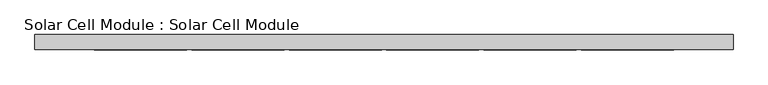
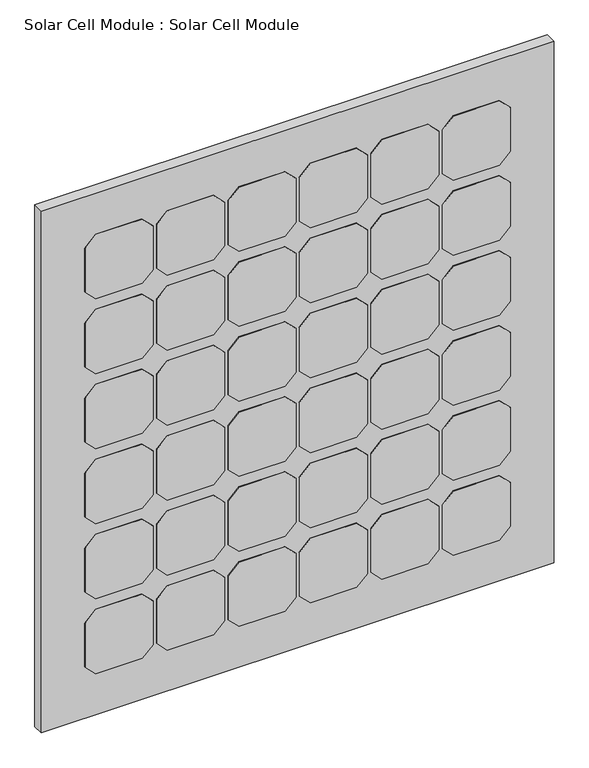
"""IFC4 building model written with IfcOpenShell, lengths in millimetres: plate geometry, Solar Cell Module : Solar Cell Module."""

from ifc_helpers import new_model, si_unit, frame, origin, origin_with_axes, place, context, project, spatial, polyline, outline, extrude, source, transform, mapped, element, save


def solar_cell_module_solar_cell_module_6ad14969(model_context):
    return source(origin(), model_context, "Body", "SweptSolid", [
        extrude(outline(polyline([(827.4741748, 299.1427161), (852.4741748, 324.1427161), (958.4741748, 324.1427161), (983.4741748, 299.1427161), (983.4741748, 193.1427161), (958.4741748, 168.1427161), (852.4741748, 168.1427161), (827.4741748, 193.1427161), (827.4741748, 299.1427161)])), frame((0.0, -26.0, 0.0), z_axis=(0.0, 1.0, 0.0), x_axis=(0.0, 0.0, 1.0)), (0.0, 0.0, 1.0), 1.0),
        extrude(outline(polyline([(645.6056311, 299.1427161), (670.6056311, 324.1427161), (776.6056311, 324.1427161), (801.6056311, 299.1427161), (801.6056311, 193.1427161), (776.6056311, 168.1427161), (670.6056311, 168.1427161), (645.6056311, 193.1427161), (645.6056311, 299.1427161)])), frame((0.0, -26.0, 0.0), z_axis=(0.0, 1.0, 0.0), x_axis=(0.0, 0.0, 1.0)), (0.0, 0.0, 1.0), 1.0),
        extrude(outline(polyline([(463.7370874, 299.1427161), (488.7370874, 324.1427161), (594.7370874, 324.1427161), (619.7370874, 299.1427161), (619.7370874, 193.1427161), (594.7370874, 168.1427161), (488.7370874, 168.1427161), (463.7370874, 193.1427161), (463.7370874, 299.1427161)])), frame((0.0, -26.0, 0.0), z_axis=(0.0, 1.0, 0.0), x_axis=(0.0, 0.0, 1.0)), (0.0, 0.0, 1.0), 1.0),
        extrude(outline(polyline([(281.8685437, 299.1427161), (306.8685437, 324.1427161), (412.8685437, 324.1427161), (437.8685437, 299.1427161), (437.8685437, 193.1427161), (412.8685437, 168.1427161), (306.8685437, 168.1427161), (281.8685437, 193.1427161), (281.8685437, 299.1427161)])), frame((0.0, -26.0, 0.0), z_axis=(0.0, 1.0, 0.0), x_axis=(0.0, 0.0, 1.0)), (0.0, 0.0, 1.0), 1.0),
        extrude(outline(polyline([(1009.3427185, 299.1427161), (1034.3427185, 324.1427161), (1140.3427185, 324.1427161), (1165.3427185, 299.1427161), (1165.3427185, 193.1427161), (1140.3427185, 168.1427161), (1034.3427185, 168.1427161), (1009.3427185, 193.1427161), (1009.3427185, 299.1427161)])), frame((0.0, -26.0, 0.0), z_axis=(0.0, 1.0, 0.0), x_axis=(0.0, 0.0, 1.0)), (0.0, 0.0, 1.0), 1.0),
        extrude(outline(polyline([(100.0, 299.1427161), (125.0, 324.1427161), (231.0, 324.1427161), (256.0, 299.1427161), (256.0, 193.1427161), (231.0, 168.1427161), (125.0, 168.1427161), (100.0, 193.1427161), (100.0, 299.1427161)])), frame((0.0, -26.0, 0.0), z_axis=(0.0, 1.0, 0.0), x_axis=(0.0, 0.0, 1.0)), (0.0, 0.0, 1.0), 1.0),
        extrude(outline(polyline([(827.4741748, 135.047572), (852.4741748, 160.047572), (958.4741748, 160.047572), (983.4741748, 135.047572), (983.4741748, 29.047572), (958.4741748, 4.047572), (852.4741748, 4.047572), (827.4741748, 29.047572), (827.4741748, 135.047572)])), frame((0.0, -26.0, 0.0), z_axis=(0.0, 1.0, 0.0), x_axis=(0.0, 0.0, 1.0)), (0.0, 0.0, 1.0), 1.0),
        extrude(outline(polyline([(645.6056311, 135.047572), (670.6056311, 160.047572), (776.6056311, 160.047572), (801.6056311, 135.047572), (801.6056311, 29.047572), (776.6056311, 4.047572), (670.6056311, 4.047572), (645.6056311, 29.047572), (645.6056311, 135.047572)])), frame((0.0, -26.0, 0.0), z_axis=(0.0, 1.0, 0.0), x_axis=(0.0, 0.0, 1.0)), (0.0, 0.0, 1.0), 1.0),
        extrude(outline(polyline([(463.7370874, 135.047572), (488.7370874, 160.047572), (594.7370874, 160.047572), (619.7370874, 135.047572), (619.7370874, 29.047572), (594.7370874, 4.047572), (488.7370874, 4.047572), (463.7370874, 29.047572), (463.7370874, 135.047572)])), frame((0.0, -26.0, 0.0), z_axis=(0.0, 1.0, 0.0), x_axis=(0.0, 0.0, 1.0)), (0.0, 0.0, 1.0), 1.0),
        extrude(outline(polyline([(281.8685437, 135.047572), (306.8685437, 160.047572), (412.8685437, 160.047572), (437.8685437, 135.047572), (437.8685437, 29.047572), (412.8685437, 4.047572), (306.8685437, 4.047572), (281.8685437, 29.047572), (281.8685437, 135.047572)])), frame((0.0, -26.0, 0.0), z_axis=(0.0, 1.0, 0.0), x_axis=(0.0, 0.0, 1.0)), (0.0, 0.0, 1.0), 1.0),
        extrude(outline(polyline([(1009.3427185, 135.047572), (1034.3427185, 160.047572), (1140.3427185, 160.047572), (1165.3427185, 135.047572), (1165.3427185, 29.047572), (1140.3427185, 4.047572), (1034.3427185, 4.047572), (1009.3427185, 29.047572), (1009.3427185, 135.047572)])), frame((0.0, -26.0, 0.0), z_axis=(0.0, 1.0, 0.0), x_axis=(0.0, 0.0, 1.0)), (0.0, 0.0, 1.0), 1.0),
        extrude(outline(polyline([(100.0, 135.047572), (125.0, 160.047572), (231.0, 160.047572), (256.0, 135.047572), (256.0, 29.047572), (231.0, 4.047572), (125.0, 4.047572), (100.0, 29.047572), (100.0, 135.047572)])), frame((0.0, -26.0, 0.0), z_axis=(0.0, 1.0, 0.0), x_axis=(0.0, 0.0, 1.0)), (0.0, 0.0, 1.0), 1.0),
        extrude(outline(polyline([(827.4741748, -29.047572), (852.4741748, -4.047572), (958.4741748, -4.047572), (983.4741748, -29.047572), (983.4741748, -135.047572), (958.4741748, -160.047572), (852.4741748, -160.047572), (827.4741748, -135.047572), (827.4741748, -29.047572)])), frame((0.0, -26.0, 0.0), z_axis=(0.0, 1.0, 0.0), x_axis=(0.0, 0.0, 1.0)), (0.0, 0.0, 1.0), 1.0),
        extrude(outline(polyline([(645.6056311, -29.047572), (670.6056311, -4.047572), (776.6056311, -4.047572), (801.6056311, -29.047572), (801.6056311, -135.047572), (776.6056311, -160.047572), (670.6056311, -160.047572), (645.6056311, -135.047572), (645.6056311, -29.047572)])), frame((0.0, -26.0, 0.0), z_axis=(0.0, 1.0, 0.0), x_axis=(0.0, 0.0, 1.0)), (0.0, 0.0, 1.0), 1.0),
        extrude(outline(polyline([(463.7370874, -29.047572), (488.7370874, -4.047572), (594.7370874, -4.047572), (619.7370874, -29.047572), (619.7370874, -135.047572), (594.7370874, -160.047572), (488.7370874, -160.047572), (463.7370874, -135.047572), (463.7370874, -29.047572)])), frame((0.0, -26.0, 0.0), z_axis=(0.0, 1.0, 0.0), x_axis=(0.0, 0.0, 1.0)), (0.0, 0.0, 1.0), 1.0),
        extrude(outline(polyline([(281.8685437, -29.047572), (306.8685437, -4.047572), (412.8685437, -4.047572), (437.8685437, -29.047572), (437.8685437, -135.047572), (412.8685437, -160.047572), (306.8685437, -160.047572), (281.8685437, -135.047572), (281.8685437, -29.047572)])), frame((0.0, -26.0, 0.0), z_axis=(0.0, 1.0, 0.0), x_axis=(0.0, 0.0, 1.0)), (0.0, 0.0, 1.0), 1.0),
        extrude(outline(polyline([(1009.3427185, -29.047572), (1034.3427185, -4.047572), (1140.3427185, -4.047572), (1165.3427185, -29.047572), (1165.3427185, -135.047572), (1140.3427185, -160.047572), (1034.3427185, -160.047572), (1009.3427185, -135.047572), (1009.3427185, -29.047572)])), frame((0.0, -26.0, 0.0), z_axis=(0.0, 1.0, 0.0), x_axis=(0.0, 0.0, 1.0)), (0.0, 0.0, 1.0), 1.0),
        extrude(outline(polyline([(100.0, -29.047572), (125.0, -4.047572), (231.0, -4.047572), (256.0, -29.047572), (256.0, -135.047572), (231.0, -160.047572), (125.0, -160.047572), (100.0, -135.047572), (100.0, -29.047572)])), frame((0.0, -26.0, 0.0), z_axis=(0.0, 1.0, 0.0), x_axis=(0.0, 0.0, 1.0)), (0.0, 0.0, 1.0), 1.0),
        extrude(outline(polyline([(827.4741748, -193.1427161), (852.4741748, -168.1427161), (958.4741748, -168.1427161), (983.4741748, -193.1427161), (983.4741748, -299.1427161), (958.4741748, -324.1427161), (852.4741748, -324.1427161), (827.4741748, -299.1427161), (827.4741748, -193.1427161)])), frame((0.0, -26.0, 0.0), z_axis=(0.0, 1.0, 0.0), x_axis=(0.0, 0.0, 1.0)), (0.0, 0.0, 1.0), 1.0),
        extrude(outline(polyline([(645.6056311, -193.1427161), (670.6056311, -168.1427161), (776.6056311, -168.1427161), (801.6056311, -193.1427161), (801.6056311, -299.1427161), (776.6056311, -324.1427161), (670.6056311, -324.1427161), (645.6056311, -299.1427161), (645.6056311, -193.1427161)])), frame((0.0, -26.0, 0.0), z_axis=(0.0, 1.0, 0.0), x_axis=(0.0, 0.0, 1.0)), (0.0, 0.0, 1.0), 1.0),
        extrude(outline(polyline([(463.7370874, -193.1427161), (488.7370874, -168.1427161), (594.7370874, -168.1427161), (619.7370874, -193.1427161), (619.7370874, -299.1427161), (594.7370874, -324.1427161), (488.7370874, -324.1427161), (463.7370874, -299.1427161), (463.7370874, -193.1427161)])), frame((0.0, -26.0, 0.0), z_axis=(0.0, 1.0, 0.0), x_axis=(0.0, 0.0, 1.0)), (0.0, 0.0, 1.0), 1.0),
        extrude(outline(polyline([(281.8685437, -193.1427161), (306.8685437, -168.1427161), (412.8685437, -168.1427161), (437.8685437, -193.1427161), (437.8685437, -299.1427161), (412.8685437, -324.1427161), (306.8685437, -324.1427161), (281.8685437, -299.1427161), (281.8685437, -193.1427161)])), frame((0.0, -26.0, 0.0), z_axis=(0.0, 1.0, 0.0), x_axis=(0.0, 0.0, 1.0)), (0.0, 0.0, 1.0), 1.0),
        extrude(outline(polyline([(1009.3427185, -193.1427161), (1034.3427185, -168.1427161), (1140.3427185, -168.1427161), (1165.3427185, -193.1427161), (1165.3427185, -299.1427161), (1140.3427185, -324.1427161), (1034.3427185, -324.1427161), (1009.3427185, -299.1427161), (1009.3427185, -193.1427161)])), frame((0.0, -26.0, 0.0), z_axis=(0.0, 1.0, 0.0), x_axis=(0.0, 0.0, 1.0)), (0.0, 0.0, 1.0), 1.0),
        extrude(outline(polyline([(100.0, -193.1427161), (125.0, -168.1427161), (231.0, -168.1427161), (256.0, -193.1427161), (256.0, -299.1427161), (231.0, -324.1427161), (125.0, -324.1427161), (100.0, -299.1427161), (100.0, -193.1427161)])), frame((0.0, -26.0, 0.0), z_axis=(0.0, 1.0, 0.0), x_axis=(0.0, 0.0, 1.0)), (0.0, 0.0, 1.0), 1.0),
        extrude(outline(polyline([(827.4741748, 463.2378602), (852.4741748, 488.2378602), (958.4741748, 488.2378602), (983.4741748, 463.2378602), (983.4741748, 357.2378602), (958.4741748, 332.2378602), (852.4741748, 332.2378602), (827.4741748, 357.2378602), (827.4741748, 463.2378602)])), frame((0.0, -26.0, 0.0), z_axis=(0.0, 1.0, 0.0), x_axis=(0.0, 0.0, 1.0)), (0.0, 0.0, 1.0), 1.0),
        extrude(outline(polyline([(645.6056311, 463.2378602), (670.6056311, 488.2378602), (776.6056311, 488.2378602), (801.6056311, 463.2378602), (801.6056311, 357.2378602), (776.6056311, 332.2378602), (670.6056311, 332.2378602), (645.6056311, 357.2378602), (645.6056311, 463.2378602)])), frame((0.0, -26.0, 0.0), z_axis=(0.0, 1.0, 0.0), x_axis=(0.0, 0.0, 1.0)), (0.0, 0.0, 1.0), 1.0),
        extrude(outline(polyline([(463.7370874, 463.2378602), (488.7370874, 488.2378602), (594.7370874, 488.2378602), (619.7370874, 463.2378602), (619.7370874, 357.2378602), (594.7370874, 332.2378602), (488.7370874, 332.2378602), (463.7370874, 357.2378602), (463.7370874, 463.2378602)])), frame((0.0, -26.0, 0.0), z_axis=(0.0, 1.0, 0.0), x_axis=(0.0, 0.0, 1.0)), (0.0, 0.0, 1.0), 1.0),
        extrude(outline(polyline([(281.8685437, 463.2378602), (306.8685437, 488.2378602), (412.8685437, 488.2378602), (437.8685437, 463.2378602), (437.8685437, 357.2378602), (412.8685437, 332.2378602), (306.8685437, 332.2378602), (281.8685437, 357.2378602), (281.8685437, 463.2378602)])), frame((0.0, -26.0, 0.0), z_axis=(0.0, 1.0, 0.0), x_axis=(0.0, 0.0, 1.0)), (0.0, 0.0, 1.0), 1.0),
        extrude(outline(polyline([(1009.3427185, 463.2378602), (1034.3427185, 488.2378602), (1140.3427185, 488.2378602), (1165.3427185, 463.2378602), (1165.3427185, 357.2378602), (1140.3427185, 332.2378602), (1034.3427185, 332.2378602), (1009.3427185, 357.2378602), (1009.3427185, 463.2378602)])), frame((0.0, -26.0, 0.0), z_axis=(0.0, 1.0, 0.0), x_axis=(0.0, 0.0, 1.0)), (0.0, 0.0, 1.0), 1.0),
        extrude(outline(polyline([(100.0, 463.2378602), (125.0, 488.2378602), (231.0, 488.2378602), (256.0, 463.2378602), (256.0, 357.2378602), (231.0, 332.2378602), (125.0, 332.2378602), (100.0, 357.2378602), (100.0, 463.2378602)])), frame((0.0, -26.0, 0.0), z_axis=(0.0, 1.0, 0.0), x_axis=(0.0, 0.0, 1.0)), (0.0, 0.0, 1.0), 1.0),
        extrude(outline(polyline([(827.4741748, -357.2378602), (852.4741748, -332.2378602), (958.4741748, -332.2378602), (983.4741748, -357.2378602), (983.4741748, -463.2378602), (958.4741748, -488.2378602), (852.4741748, -488.2378602), (827.4741748, -463.2378602), (827.4741748, -357.2378602)])), frame((0.0, -26.0, 0.0), z_axis=(0.0, 1.0, 0.0), x_axis=(0.0, 0.0, 1.0)), (0.0, 0.0, 1.0), 1.0),
        extrude(outline(polyline([(645.6056311, -357.2378602), (670.6056311, -332.2378602), (776.6056311, -332.2378602), (801.6056311, -357.2378602), (801.6056311, -463.2378602), (776.6056311, -488.2378602), (670.6056311, -488.2378602), (645.6056311, -463.2378602), (645.6056311, -357.2378602)])), frame((0.0, -26.0, 0.0), z_axis=(0.0, 1.0, 0.0), x_axis=(0.0, 0.0, 1.0)), (0.0, 0.0, 1.0), 1.0),
        extrude(outline(polyline([(463.7370874, -357.2378602), (488.7370874, -332.2378602), (594.7370874, -332.2378602), (619.7370874, -357.2378602), (619.7370874, -463.2378602), (594.7370874, -488.2378602), (488.7370874, -488.2378602), (463.7370874, -463.2378602), (463.7370874, -357.2378602)])), frame((0.0, -26.0, 0.0), z_axis=(0.0, 1.0, 0.0), x_axis=(0.0, 0.0, 1.0)), (0.0, 0.0, 1.0), 1.0),
        extrude(outline(polyline([(281.8685437, -357.2378602), (306.8685437, -332.2378602), (412.8685437, -332.2378602), (437.8685437, -357.2378602), (437.8685437, -463.2378602), (412.8685437, -488.2378602), (306.8685437, -488.2378602), (281.8685437, -463.2378602), (281.8685437, -357.2378602)])), frame((0.0, -26.0, 0.0), z_axis=(0.0, 1.0, 0.0), x_axis=(0.0, 0.0, 1.0)), (0.0, 0.0, 1.0), 1.0),
        extrude(outline(polyline([(1009.3427185, -357.2378602), (1034.3427185, -332.2378602), (1140.3427185, -332.2378602), (1165.3427185, -357.2378602), (1165.3427185, -463.2378602), (1140.3427185, -488.2378602), (1034.3427185, -488.2378602), (1009.3427185, -463.2378602), (1009.3427185, -357.2378602)])), frame((0.0, -26.0, 0.0), z_axis=(0.0, 1.0, 0.0), x_axis=(0.0, 0.0, 1.0)), (0.0, 0.0, 1.0), 1.0),
        extrude(outline(polyline([(100.0, -357.2378602), (125.0, -332.2378602), (231.0, -332.2378602), (256.0, -357.2378602), (256.0, -463.2378602), (231.0, -488.2378602), (125.0, -488.2378602), (100.0, -463.2378602), (100.0, -357.2378602)])), frame((0.0, -26.0, 0.0), z_axis=(0.0, 1.0, 0.0), x_axis=(0.0, 0.0, 1.0)), (0.0, 0.0, 1.0), 1.0),
        extrude(outline(polyline([(588.2378602, -25.0), (-588.2378602, -25.0), (-588.2378602, 0.0), (588.2378602, 0.0), (588.2378602, -25.0)])), origin_with_axes(), (0.0, 0.0, 1.0), 1265.3427185),
    ])


if __name__ == "__main__":
    model = new_model("IFC4")
    model_context = context("Model", 3, world=origin())
    ifc_project = project(units=[si_unit("LENGTHUNIT", "METRE", prefix="MILLI")], contexts=[model_context])
    site = spatial("IfcSite", under=ifc_project)
    building = spatial("IfcBuilding", under=site)
    placement = place(None, origin())
    solar_cell_module_solar_cell_module_shape = solar_cell_module_solar_cell_module_6ad14969(model_context)
    element("IfcPlate", 1, ObjectType="Solar Cell Module : Solar Cell Module", at=placement, inside=building, context=model_context, shape_type="MappedRepresentation", body=[
        mapped(solar_cell_module_solar_cell_module_shape, transform((0.0, 0.0, 0.0), x_axis=(1.0, 0.0, 0.0), y_axis=(0.0, 1.0, 0.0), z_axis=(0.0, 0.0, 1.0))),
    ])
    save(model, "model.ifc")
